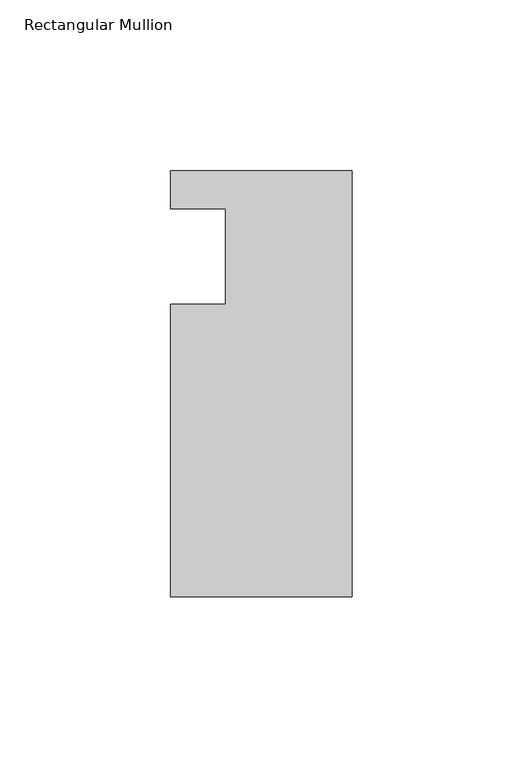
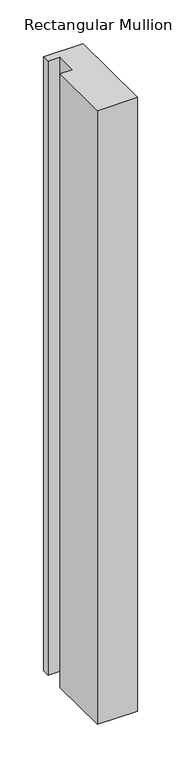
"""IFC4 building model written with IfcOpenShell, lengths in millimetres: member geometry, Rectangular Mullion."""

from ifc_helpers import new_model, si_unit, frame, origin, place, context, project, spatial, polyline, outline, extrude, source, transform, mapped, element, save


def rectangular_mullion_734c4bb9(model_context):
    return source(origin(), model_context, "Body", "SweptSolid", [
        extrude(outline(polyline([(-37.0, 13.9999453), (-53.0, 13.9999453), (-53.0, 24.9999453), (0.0, 24.9999453), (0.0, -99.5000547), (-53.0, -99.5000547), (-53.0, -14.0000547), (-37.0, -14.0000547), (-37.0, 13.9999453)])), frame((0.0, 0.0, -861.4796064), z_axis=(0.0, 0.0, 1.0), x_axis=(1.0, 0.0, 0.0)), (0.0, 0.0, 1.0), 861.4796064),
    ])


if __name__ == "__main__":
    model = new_model("IFC4")
    model_context = context("Model", 3, world=origin())
    ifc_project = project(units=[si_unit("LENGTHUNIT", "METRE", prefix="MILLI")], contexts=[model_context])
    site = spatial("IfcSite", under=ifc_project)
    building = spatial("IfcBuilding", under=site)
    placement = place(None, origin())
    rectangular_mullion_shape = rectangular_mullion_734c4bb9(model_context)
    element("IfcMember", 1, ObjectType="Rectangular Mullion", at=placement, inside=building, context=model_context, shape_type="MappedRepresentation", body=[
        mapped(rectangular_mullion_shape, transform((0.0, 0.0, 0.0), x_axis=(1.0, 0.0, 0.0), y_axis=(0.0, 1.0, 0.0), z_axis=(0.0, 0.0, 1.0))),
    ])
    save(model, "model.ifc")
